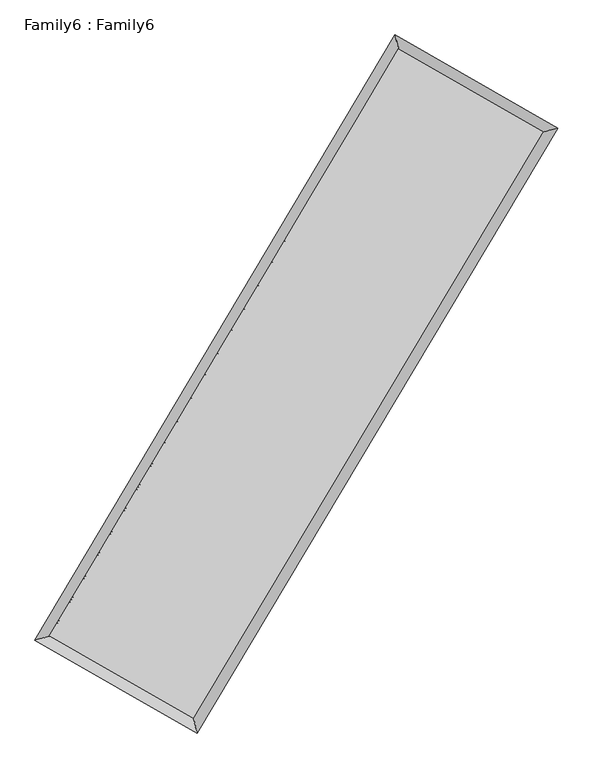
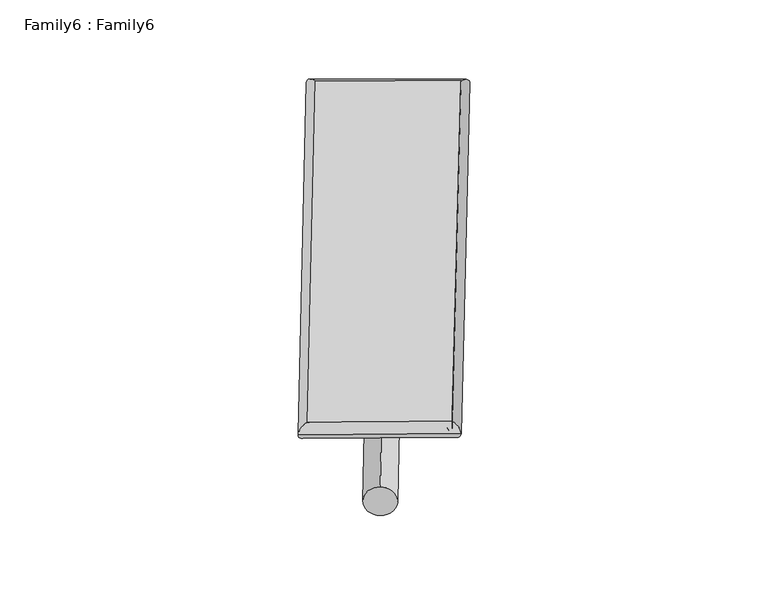
"""IFC4 building model written with IfcOpenShell, lengths in millimetres: plate geometry, Family6 : Family6."""

from ifc_helpers import new_model, si_unit, point, frame, origin, origin_2d, place, context, project, spatial, circle_curve, ellipse_curve, trimmed, segment, composite_curve, outline, extrude, source, transform, mapped, element, save
from ifc_brep_helpers import plane_surface, cylinder_surface, spline_surface, advanced_brep


def family6_family6_aee2a0b4(model_context):
    return source(origin(), model_context, "Body", "SolidModel", [
        extrude(outline(composite_curve([segment(trimmed(circle_curve(origin_2d(), 76.2), [point((-75.4341514, -10.7763074))], [point((75.4341514, 10.7763074))], False, "CARTESIAN"), True, "CONTINUOUS"), segment(trimmed(circle_curve(origin_2d(), 76.2), [point((75.4341514, 10.7763074))], [point((-75.4341514, -10.7763074))], False, "CARTESIAN"), True, "CONTINUOUS")], self_intersect=False)), frame((9144.0, 9144.0, 0.0), z_axis=(0.6749446521773439, 0.6862491963205838, 0.27113051662724597), x_axis=(-0.6781737374997757, 0.7217293028306351, -0.13851785156141702)), (0.0, 0.0, 1.0), 5586.2287698),
        extrude(outline(composite_curve([segment(trimmed(circle_curve(origin_2d(), 76.2), [point((-53.8815367, 53.8815368))], [point((53.8815367, -53.8815368))], False, "CARTESIAN"), True, "CONTINUOUS"), segment(trimmed(circle_curve(origin_2d(), 76.2), [point((53.8815367, -53.8815368))], [point((-53.8815367, 53.8815368))], False, "CARTESIAN"), True, "CONTINUOUS")], self_intersect=False)), frame((9144.0, 9144.0, 0.0), z_axis=(-0.6742250227602036, -0.6869478189509118, 0.27115182596211374), x_axis=(0.6399990359747193, -0.36025399477553294, 0.6786886570436406)), (0.0, 0.0, 1.0), 5585.5320504),
        extrude(outline(composite_curve([segment(trimmed(circle_curve(origin_2d(), 76.2), [point((-53.8815367, -53.8815368))], [point((53.8815367, 53.8815368))], False, "CARTESIAN"), True, "CONTINUOUS"), segment(trimmed(circle_curve(origin_2d(), 76.2), [point((53.8815367, 53.8815368))], [point((-53.8815367, -53.8815368))], False, "CARTESIAN"), True, "CONTINUOUS")], self_intersect=False)), frame((9144.0, 9144.0, 0.0), z_axis=(0.28036133066419644, 0.9194051576245241, 0.275847204810245), x_axis=(-0.8390239341847787, 0.37432193374418066, -0.3948695072845121)), (0.0, 0.0, 1.0), 5547.1974862),
        extrude(outline(composite_curve([segment(trimmed(circle_curve(origin_2d(), 76.2), [point((-75.4341514, 10.7763073))], [point((75.4341514, -10.7763073))], False, "CARTESIAN"), True, "CONTINUOUS"), segment(trimmed(circle_curve(origin_2d(), 76.2), [point((75.4341514, -10.7763073))], [point((-75.4341514, 10.7763073))], False, "CARTESIAN"), True, "CONTINUOUS")], self_intersect=False)), frame((9144.0, 9144.0, 0.0), z_axis=(-0.2813451474973725, -0.9190979031395822, 0.2758694481527537), x_axis=(0.8761469565815134, -0.1287685875141142, 0.46452681444946947)), (0.0, 0.0, 1.0), 5546.6928157),
        advanced_brep(
        [(5167.8102043, 5251.7318501, 1515.761539), (5588.3871226, 5362.3418895, 1516.1157323), (5588.3788481, 5362.3300305, 1513.2928899), (10753.5580354, 14037.5021779, 1528.4858927), (10644.881302, 14450.7417805, 1531.8719495), (5167.8019299, 5251.7199911, 1512.9386965), (12703.9511765, 12922.3205714, 1514.7665775), (13124.8392916, 13032.7694361, 1514.4276072), (7529.2620989, 4252.5901477, 1529.8763563), (7637.6676843, 3839.5023797, 1530.4498161)],
        [
            (0, 1, ellipse_curve(frame((5378.0945262, 5307.0309403, 1514.5272144), z_axis=(-0.25434283717971023, 0.967108430468877, -0.0033173621147747257), x_axis=(-0.9670952826358656, -0.2543577959854113, -0.00536897801252181)), 217.4511076, 152.4)),
            (1, 2, ellipse_curve(frame((5378.0945262, 5307.0309403, 1514.5272144), z_axis=(-0.25434283717971023, 0.967108430468877, -0.0033173621147747257), x_axis=(-0.9670952826358656, -0.2543577959854113, -0.00536897801252181)), 217.4511076, 152.4)),
            (2, 3),
            (3, 4, ellipse_curve(frame((10699.2196687, 14244.1219792, 1530.1789211), z_axis=(-0.9671036174401757, -0.2543623190617738, 0.0032254884347965233), x_axis=(0.25434295428957443, -0.9670988459636145, -0.005429893101726556)), 213.6528514, 152.4)),
            (4, 0),
            (2, 5, ellipse_curve(frame((5378.0945262, 5307.0309403, 1514.5272144), z_axis=(-0.25434283717971023, 0.967108430468877, -0.0033173621147747257), x_axis=(-0.9670952826358656, -0.2543577959854113, -0.00536897801252181)), 217.4511076, 152.4)),
            (5, 0, ellipse_curve(frame((5378.0945262, 5307.0309403, 1514.5272144), z_axis=(-0.25434283717971023, 0.967108430468877, -0.0033173621147747257), x_axis=(-0.9670952826358656, -0.2543577959854113, -0.00536897801252181)), 217.4511076, 152.4)),
            (4, 3, ellipse_curve(frame((10699.2196687, 14244.1219792, 1530.1789211), z_axis=(-0.9671036174401757, -0.2543623190617738, 0.0032254884347965233), x_axis=(0.25434295428957443, -0.9670988459636145, -0.005429893101726556)), 213.6528514, 152.4)),
            (3, 6),
            (6, 7, ellipse_curve(frame((12914.395234, 12977.5450037, 1514.5970924), z_axis=(-0.2538206041870073, 0.9672457149692878, 0.003290556745254984), x_axis=(-0.9672327818845748, -0.2538353306833314, 0.00532640072754904)), 217.571791, 152.4)),
            (7, 4),
            (7, 6, ellipse_curve(frame((12914.395234, 12977.5450037, 1514.5970924), z_axis=(-0.2538206041870073, 0.9672457149692878, 0.003290556745254984), x_axis=(-0.9672327818845748, -0.2538353306833314, 0.00532640072754904)), 217.571791, 152.4)),
            (6, 8),
            (8, 9, ellipse_curve(frame((7583.4648916, 4046.0462637, 1530.1630862), z_axis=(0.9672419241322691, 0.2538353991712315, 0.0032634841025371186), x_axis=(-0.25381572515174017, 0.9672371732904458, -0.005461526417068312)), 213.5395657, 152.4)),
            (9, 7),
            (9, 8, ellipse_curve(frame((7583.4648916, 4046.0462637, 1530.1630862), z_axis=(0.9672419241322691, 0.2538353991712315, 0.0032634841025371186), x_axis=(-0.25381572515174017, 0.9672371732904458, -0.005461526417068312)), 213.5395657, 152.4)),
            (8, 1),
            (5, 9),
        ],
        [
            cylinder_surface(frame((5378.0945262, 5307.0309403, 1514.5272144), z_axis=(-0.5115846574446328, -0.8592315601023721, -0.0015047894542294712), x_axis=(-0.859200099549083, 0.5115490596282388, 0.00963060373551217)), 152.4),
            cylinder_surface(frame((10699.2196687, 14244.1219792, 1530.1789211), z_axis=(-0.8680982283802108, 0.49635489199813293, 0.006106314163333362), x_axis=(0.4963847522196862, 0.8680875942410976, 0.005109450900473785)), 152.4),
            cylinder_surface(frame((12914.395234, 12977.5450037, 1514.5970924), z_axis=(0.5125166531963915, 0.8586759811660416, -0.0014965175928097058), x_axis=(0.8586771860909066, -0.5125166531963915, 0.0004126540590658399)), 152.4),
            cylinder_surface(frame((7583.4648916, 4046.0462637, 1530.1630862), z_axis=(0.8680955881706286, -0.49635891172916863, 0.00615471735551279), x_axis=(-0.4963417967495918, -0.8681172282050478, -0.004159193788723765)), 152.4),
        ],
        [
            (0, [[1, 2, 3, 4, 5]]),
            (0, [[6, 7, -5, 8, -3]]),
            (1, [[-4, 9, 10, 11]]),
            (1, [[-8, -11, 12, -9]]),
            (2, [[-10, 13, 14, 15]]),
            (2, [[-12, -15, 16, -13]]),
            (3, [[-14, 17, -1, -7, 18]]),
            (3, [[-16, -18, -6, -2, -17]]),
        ],
    ),
        extrude(outline(composite_curve([segment(trimmed(circle_curve(origin_2d(), 304.8), [point((0.0, 304.8))], [point((1e-07, -304.8))], False, "CARTESIAN"), True, "CONTINUOUS"), segment(trimmed(circle_curve(origin_2d(), 304.8), [point((1e-07, -304.8))], [point((0.0, 304.8))], False, "CARTESIAN"), True, "CONTINUOUS")], self_intersect=False)), frame((11810.2112337, 13635.5243655, -0.000428), z_axis=(-0.510449382948656, -0.859907801713259, 8.194465318576806e-08), x_axis=(-0.8599078017132626, 0.5104493829486559, -2.2489608149439663e-08)), (0.0, 0.0, 1.0), 10446.525445),
        advanced_brep(
        [(5378.0945262, 5307.0309403, 1514.5272144), (7583.4648916, 4046.0462637, 1530.1630862), (7583.4649697, 4046.0454863, 1682.5630862), (5378.0946043, 5307.0301629, 1666.9272144), (12914.395234, 12977.5450037, 1514.5970924), (12914.3953121, 12977.5442263, 1666.9970924), (10699.2196687, 14244.1219792, 1530.1789211), (10699.2197467, 14244.1212018, 1682.5789211)],
        [
            (0, 1),
            (1, 2),
            (2, 3),
            (3, 0),
            (1, 4),
            (4, 5),
            (5, 2),
            (4, 6),
            (6, 7),
            (7, 5),
            (6, 0),
            (3, 7),
        ],
        [
            plane_surface(frame((6480.7797089, 4676.538602, 1522.3451503), z_axis=(-0.4963682908623535, -0.8681120433497986, -4.1741456280283175e-06), x_axis=(0.8680955881706284, -0.4963589117291686, 0.006154717355512794))),
            plane_surface(frame((10248.9300628, 8511.7956337, 1522.3800893), z_axis=(0.8586769403514387, -0.5125172310267865, -3.05415193344418e-06), x_axis=(0.5125166531963914, 0.8586759811660418, -0.0014965175928097012))),
            plane_surface(frame((11806.8074514, 13610.8334915, 1522.3880067), z_axis=(0.4963641681906115, 0.8681144005941953, 4.174159770058746e-06), x_axis=(-0.8680982283802107, 0.4963548919981331, 0.006106314163333367))),
            plane_surface(frame((8038.6570975, 9775.5764598, 1522.3530678), z_axis=(-0.8592325352659976, 0.5115852327140277, 3.0496822198662968e-06), x_axis=(-0.5115846574446328, -0.8592315601023721, -0.001504789454229468))),
            spline_surface(1, 1, [[(7583.4649697, 4046.0454863, 1682.5630862), (5378.0946043, 5307.0301629, 1666.9272144)], [(12914.3953121, 12977.5442263, 1666.9970924), (10699.2197467, 14244.1212018, 1682.5789211)]], [2, 2], [2, 2], [0.0, 1.0], [0.0, 1.0]),
            spline_surface(1, 1, [[(10699.2196687, 14244.1219792, 1530.1789211), (5378.0945262, 5307.0309403, 1514.5272144)], [(12914.395234, 12977.5450037, 1514.5970924), (7583.4648916, 4046.0462637, 1530.1630862)]], [2, 2], [2, 2], [0.0, 1.0], [0.0, 1.0]),
        ],
        [
            (0, [[1, 2, 3, 4]]),
            (1, [[5, 6, 7, -2]]),
            (2, [[8, 9, 10, -6]]),
            (3, [[11, -4, 12, -9]]),
            (4, [[-3, -7, -10, -12]]),
            (5, [[-11, -8, -5, -1]]),
        ],
    ),
    ])


if __name__ == "__main__":
    model = new_model("IFC4")
    model_context = context("Model", 3, world=origin())
    ifc_project = project(units=[si_unit("LENGTHUNIT", "METRE", prefix="MILLI")], contexts=[model_context])
    site = spatial("IfcSite", under=ifc_project)
    building = spatial("IfcBuilding", under=site)
    placement = place(None, origin())
    family6_family6_shape = family6_family6_aee2a0b4(model_context)
    element("IfcPlate", 1, ObjectType="Family6 : Family6", at=placement, inside=building, context=model_context, shape_type="MappedRepresentation", body=[
        mapped(family6_family6_shape, transform((0.0, 0.0, 0.0), x_axis=(1.0, 0.0, 0.0), y_axis=(0.0, 1.0, 0.0), z_axis=(0.0, 0.0, 1.0))),
    ])
    save(model, "model.ifc")
